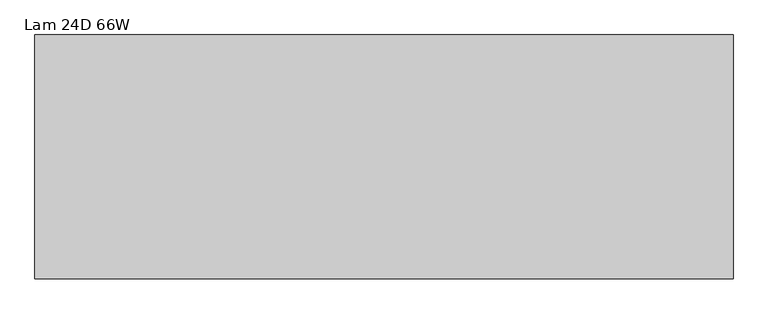
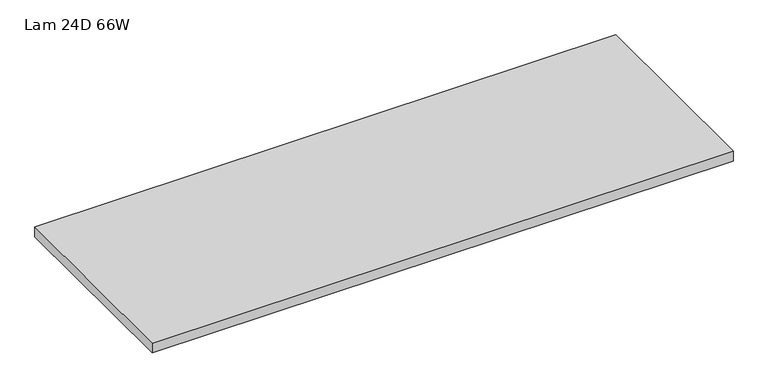
"""IFC4 building model written with IfcOpenShell, lengths in millimetres: furniture geometry, Lam 24D 66W."""

from ifc_helpers import new_model, si_unit, frame, origin, place, context, project, spatial, polyline, outline, extrude, source, transform, mapped, element, save


def lam_24d_66w_92edc477(model_context):
    return source(origin(), model_context, "Body", "SweptSolid", [
        extrude(outline(polyline([(1210.7275996, 174.6914812), (-462.6244004, 174.6914812), (-462.6244004, 758.8914812), (1210.7275996, 758.8914812), (1210.7275996, 174.6914812)])), frame((0.0, 0.0, 706.7296), z_axis=(0.0, 0.0, 1.0), x_axis=(1.0, 0.0, 0.0)), (0.0, 0.0, 1.0), 29.8704),
    ])


if __name__ == "__main__":
    model = new_model("IFC4")
    model_context = context("Model", 3, world=origin())
    ifc_project = project(units=[si_unit("LENGTHUNIT", "METRE", prefix="MILLI")], contexts=[model_context])
    site = spatial("IfcSite", under=ifc_project)
    building = spatial("IfcBuilding", under=site)
    placement = place(None, origin())
    lam_24d_66w_shape = lam_24d_66w_92edc477(model_context)
    element("IfcFurniture", 1, ObjectType="Lam 24D 66W", at=placement, inside=building, context=model_context, shape_type="MappedRepresentation", body=[
        mapped(lam_24d_66w_shape, transform((0.0, 0.0, 0.0), x_axis=(1.0, 0.0, 0.0), y_axis=(0.0, 1.0, 0.0), z_axis=(0.0, 0.0, 1.0))),
    ])
    save(model, "model.ifc")
